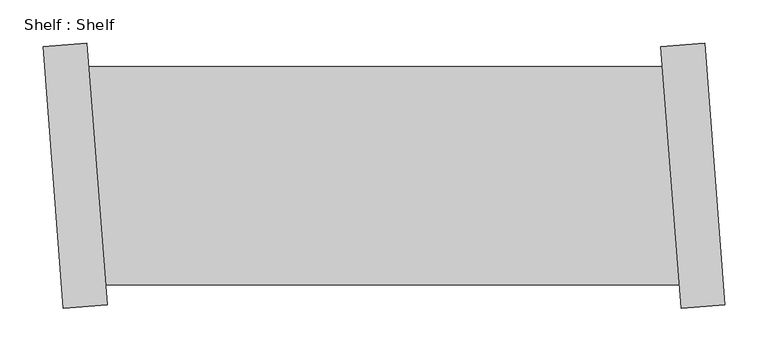
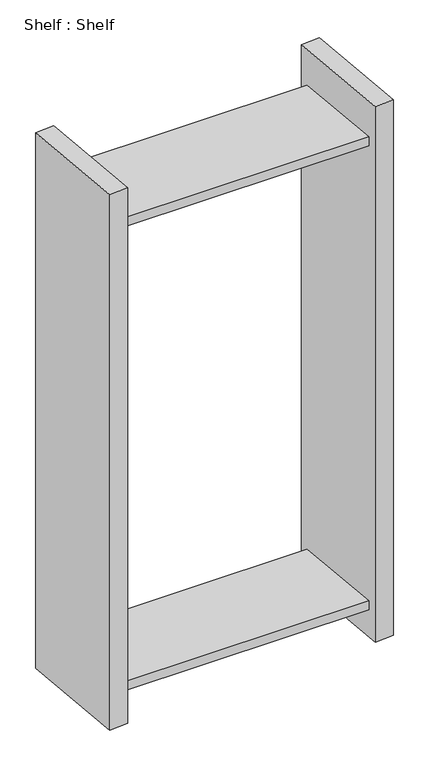
"""IFC4 building model written with IfcOpenShell, lengths in millimetres: proxy geometry, Shelf : Shelf."""

from ifc_helpers import new_model, si_unit, origin, place, context, project, spatial, faceted_brep, source, transform, mapped, element, save


def shelf_shelf_5debeaf4(model_context):
    return source(origin(), model_context, "Body", "Brep", [
        faceted_brep([(-431.1535575, 126.6186415, 1422.4), (-431.1535575, 126.6186415, 1397.0), (-1096.2973526, 126.6186415, 1397.0), (-1096.2973526, 126.6186415, 1422.4), (-411.4843311, -126.6186415, 1397.0), (-1076.6281262, -126.6186415, 1397.0), (-411.4843311, -126.6186415, 1422.4), (-1076.6281262, -126.6186415, 1422.4), (-382.3202504, 153.9092925, 0.0), (-358.7171788, -149.9754472, 0.0), (-409.3646354, -153.9092925, 0.0), (-432.967707, 149.9754472, 0.0), (-358.7171788, -149.9754472, 1524.0), (-409.3646354, -153.9092925, 1524.0), (-382.3202504, 153.9092925, 1524.0), (-432.967707, 149.9754472, 1524.0), (-411.4843311, -126.6186415, 76.2), (-431.1535575, 126.6186415, 76.2), (-431.1535575, 126.6186415, 101.6), (-411.4843311, -126.6186415, 101.6), (-1076.6281262, -126.6186415, 76.2), (-1096.2973526, 126.6186415, 76.2), (-1076.6281262, -126.6186415, 101.6), (-1096.2973526, 126.6186415, 101.6), (-1125.4614333, -153.9092925, 0.0), (-1149.064505, 149.9754472, 0.0), (-1098.4170483, 153.9092925, 0.0), (-1074.8139767, -149.9754472, 0.0), (-1074.8139767, -149.9754472, 1524.0), (-1125.4614333, -153.9092925, 1524.0), (-1098.4170483, 153.9092925, 1524.0), (-1149.064505, 149.9754472, 1524.0)], [[[0, 1, 2, 3]], [[1, 4, 5, 2]], [[4, 6, 7, 5]], [[6, 0, 3, 7]], [[8, 9, 10, 11]], [[10, 9, 12, 13]], [[13, 12, 14, 15]], [[8, 11, 15, 14]], [[11, 10, 13, 15], [1, 0, 6, 4], [16, 17, 18, 19]], [[9, 8, 14, 12]], [[17, 16, 20, 21]], [[16, 19, 22, 20]], [[19, 18, 23, 22]], [[18, 17, 21, 23]], [[24, 25, 26, 27]], [[24, 27, 28, 29]], [[29, 28, 30, 31]], [[26, 25, 31, 30]], [[27, 26, 30, 28], [3, 2, 5, 7], [21, 20, 22, 23]], [[25, 24, 29, 31]]]),
    ])


if __name__ == "__main__":
    model = new_model("IFC4")
    model_context = context("Model", 3, world=origin())
    ifc_project = project(units=[si_unit("LENGTHUNIT", "METRE", prefix="MILLI")], contexts=[model_context])
    site = spatial("IfcSite", under=ifc_project)
    building = spatial("IfcBuilding", under=site)
    placement = place(None, origin())
    shelf_shelf_shape = shelf_shelf_5debeaf4(model_context)
    element("IfcBuildingElementProxy", 1, Name="Shelf : Shelf", ObjectType="Shelf : Shelf", at=placement, inside=building, context=model_context, shape_type="MappedRepresentation", body=[
        mapped(shelf_shelf_shape, transform((0.0, 0.0, 0.0), x_axis=(1.0, 0.0, 0.0), y_axis=(0.0, 1.0, 0.0), z_axis=(0.0, 0.0, 1.0))),
    ])
    save(model, "model.ifc")
